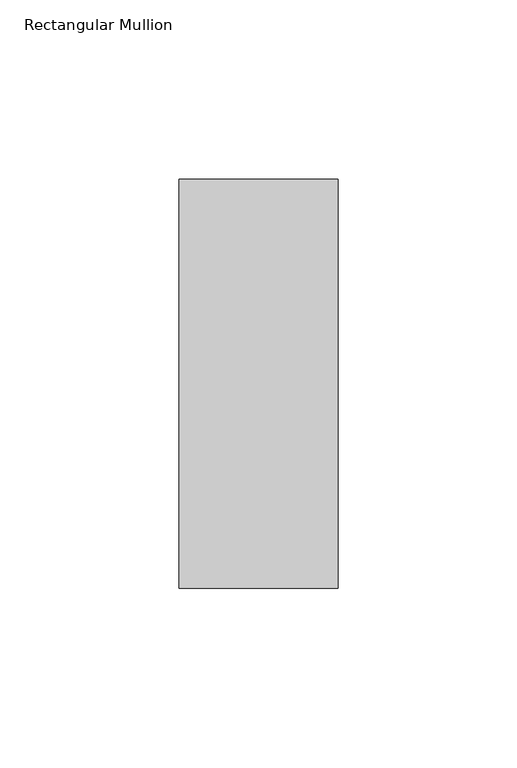
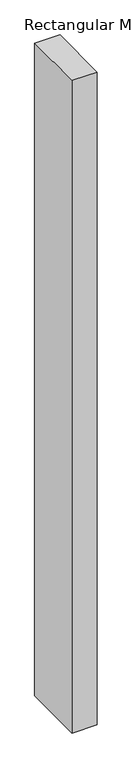
"""IFC4 building model written with IfcOpenShell, lengths in millimetres: member geometry, Rectangular Mullion."""

from ifc_helpers import new_model, si_unit, frame, origin, place, context, project, spatial, polyline, outline, extrude, source, transform, mapped, element, save


def rectangular_mullion_9dd99e25(model_context):
    return source(origin(), model_context, "Body", "SweptSolid", [
        extrude(outline(polyline([(22.225, 57.1373), (22.225, -57.1373), (-22.225, -57.1373), (-22.225, 57.1373), (22.225, 57.1373)])), frame((0.0, 0.0, -1219.2), z_axis=(0.0, 0.0, 1.0), x_axis=(1.0, 0.0, 0.0)), (0.0, 0.0, 1.0), 1219.2),
    ])


if __name__ == "__main__":
    model = new_model("IFC4")
    model_context = context("Model", 3, world=origin())
    ifc_project = project(units=[si_unit("LENGTHUNIT", "METRE", prefix="MILLI")], contexts=[model_context])
    site = spatial("IfcSite", under=ifc_project)
    building = spatial("IfcBuilding", under=site)
    placement = place(None, origin())
    rectangular_mullion_shape = rectangular_mullion_9dd99e25(model_context)
    element("IfcMember", 1, ObjectType="Rectangular Mullion", at=placement, inside=building, context=model_context, shape_type="MappedRepresentation", body=[
        mapped(rectangular_mullion_shape, transform((0.0, 0.0, 0.0), x_axis=(1.0, 0.0, 0.0), y_axis=(0.0, 1.0, 0.0), z_axis=(0.0, 0.0, 1.0))),
    ])
    save(model, "model.ifc")
